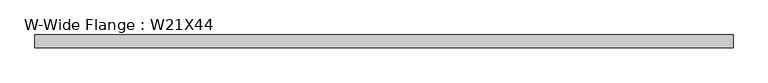
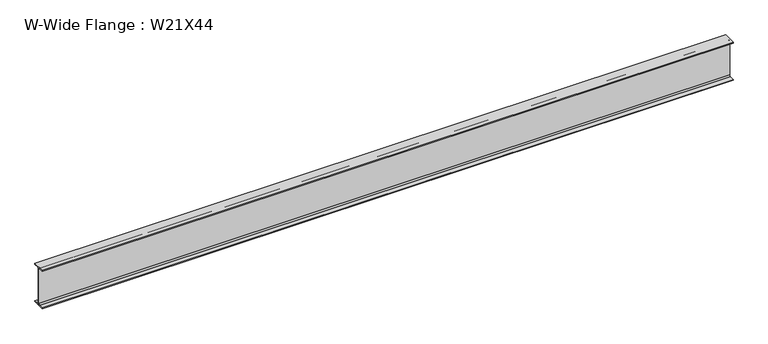
"""IFC4 building model written with IfcOpenShell, lengths in millimetres: beam geometry, W-Wide Flange : W21X44."""

from ifc_helpers import new_model, si_unit, point, frame, frame_2d, origin, place, context, project, spatial, polyline, circle_curve, trimmed, segment, composite_curve, outline, extrude, source, transform, mapped, element, save


def w_wide_flange_w21x44_e4fa96af(model_context):
    return source(origin(), model_context, "Body", "SweptSolid", [
        extrude(outline(composite_curve([segment(polyline([(82.55, -251.4699219), (82.55, -262.8800781), (-82.55, -262.8800781), (-82.55, -251.4699219), (-21.6296875, -251.4699219)]), True, "CONTINUOUS"), segment(trimmed(circle_curve(frame_2d((-21.6296875, -234.3050781)), 17.1648437), [point((-21.6296875, -251.4699219))], [point((-4.4648438, -234.3050781))], True, "CARTESIAN"), True, "CONTINUOUS"), segment(polyline([(-4.4648438, -234.3050781), (-4.4648438, 234.3050781)]), True, "CONTINUOUS"), segment(trimmed(circle_curve(frame_2d((-21.6296875, 234.3050781)), 17.1648437), [point((-4.4648438, 234.3050781))], [point((-21.6296875, 251.4699219))], True, "CARTESIAN"), True, "CONTINUOUS"), segment(polyline([(-21.6296875, 251.4699219), (-82.55, 251.4699219), (-82.55, 262.8800781), (82.55, 262.8800781), (82.55, 251.4699219), (21.6296875, 251.4699219)]), True, "CONTINUOUS"), segment(trimmed(circle_curve(frame_2d((21.6296875, 234.3050781)), 17.1648437), [point((21.6296875, 251.4699219))], [point((4.4648437, 234.3050781))], True, "CARTESIAN"), True, "CONTINUOUS"), segment(polyline([(4.4648437, 234.3050781), (4.4648437, -234.3050781)]), True, "CONTINUOUS"), segment(trimmed(circle_curve(frame_2d((21.6296875, -234.3050781)), 17.1648437), [point((4.4648437, -234.3050781))], [point((21.6296875, -251.4699219))], True, "CARTESIAN"), True, "CONTINUOUS"), segment(polyline([(21.6296875, -251.4699219), (82.55, -251.4699219)]), True, "CONTINUOUS")], self_intersect=False)), frame((-4495.8, 0.0, 0.0), z_axis=(1.0, 0.0, 0.0), x_axis=(0.0, 1.0, 0.0)), (0.0, 0.0, 1.0), 8972.153125),
    ])


if __name__ == "__main__":
    model = new_model("IFC4")
    model_context = context("Model", 3, world=origin())
    ifc_project = project(units=[si_unit("LENGTHUNIT", "METRE", prefix="MILLI")], contexts=[model_context])
    site = spatial("IfcSite", under=ifc_project)
    building = spatial("IfcBuilding", under=site)
    placement = place(None, origin())
    w_wide_flange_w21x44_shape = w_wide_flange_w21x44_e4fa96af(model_context)
    element("IfcBeam", 1, ObjectType="W-Wide Flange : W21X44", at=placement, inside=building, context=model_context, shape_type="MappedRepresentation", body=[
        mapped(w_wide_flange_w21x44_shape, transform((0.0, 0.0, 0.0), x_axis=(1.0, 0.0, 0.0), y_axis=(0.0, 1.0, 0.0), z_axis=(0.0, 0.0, 1.0))),
    ])
    save(model, "model.ifc")
